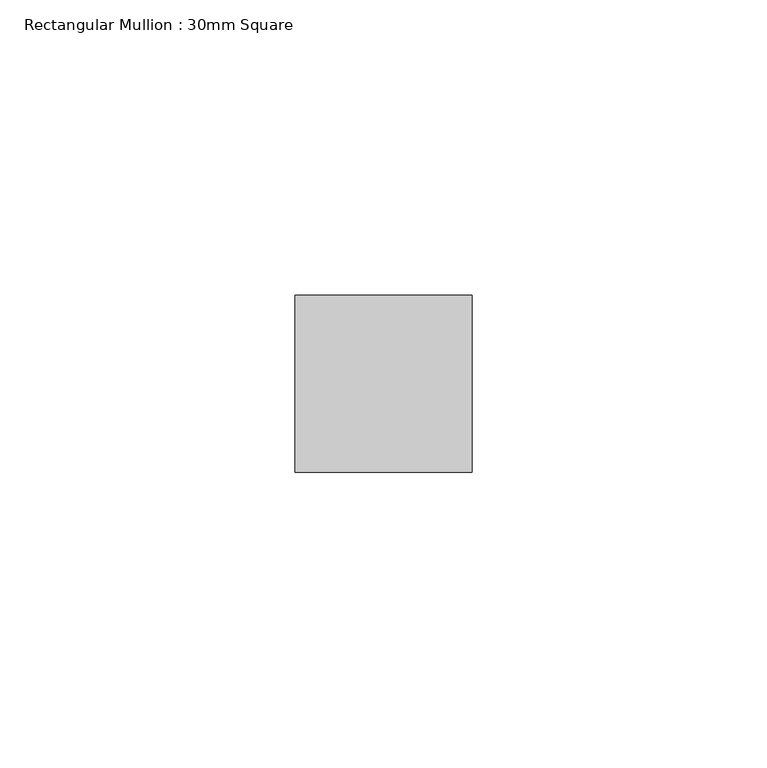
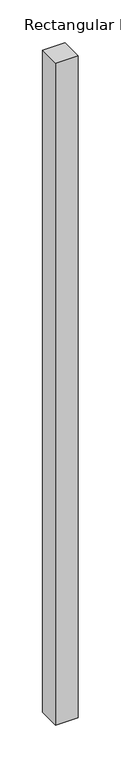
"""IFC4 building model written with IfcOpenShell, lengths in millimetres: member geometry, Rectangular Mullion : 30mm Square."""

import ifcopenshell
import ifcopenshell.guid

model = None  # the IFC model being written
_history = None  # IfcOwnerHistory: only IFC2X3 demands one
_inside = {}  # id of a spatial element -> (the spatial element, [elements in it])
_under = {}  # id of a project, library or spatial element -> (it, [spatial elements below it])
_declared = {}  # id of a project -> (the project, [libraries it declares])
_typed = {}  # id of a type object -> (the type object, [elements of that type])
_made_of = {}  # id of a material, layer set ... -> (it, [elements and type objects made of it])


def new_model(schema):
    """Start an empty IFC model of exactly this schema.

    Asked for "IFC4X3", IfcOpenShell would pick the latest addendum, in which some entities
    have other attributes; the version numbers below select the first issue.
    IFC2X3 requires an IfcOwnerHistory on every rooted entity: one is made here for all.
    """
    global model, _history
    if schema == "IFC4X3":
        model = ifcopenshell.file(schema_version=(4, 3, 0, 0))
    else:
        model = ifcopenshell.file(schema=schema)
    _inside.clear()
    _under.clear()
    _declared.clear()
    _typed.clear()
    _made_of.clear()
    _history = None
    if model.schema == "IFC2X3":
        org = make("IfcOrganization", Name="unknown")
        user = make(
            "IfcPersonAndOrganization",
            ThePerson=make("IfcPerson", FamilyName="unknown"),
            TheOrganization=org,
        )
        app = make(
            "IfcApplication",
            ApplicationDeveloper=org,
            Version="unknown",
            ApplicationFullName="unknown",
            ApplicationIdentifier="unknown",
        )
        _history = make(
            "IfcOwnerHistory",
            OwningUser=user,
            OwningApplication=app,
            ChangeAction="ADDED",
            CreationDate=0,
        )
    return model


def make(cls, **values):
    """One entity of the class cls with the attributes given. An attribute that is None is left unset."""
    return model.create_entity(
        cls, **{name: value for name, value in values.items() if value is not None}
    )


def rooted(cls, **values):
    """An entity with a GlobalId (a new one), such as an element, a storey or a relation."""
    return make(cls, GlobalId=ifcopenshell.guid.new(), OwnerHistory=_history, **values)


def si_unit(unit_type, name, prefix=None):
    """IfcSIUnit, for example si_unit("LENGTHUNIT", "METRE", prefix="MILLI")."""
    return make("IfcSIUnit", UnitType=unit_type, Prefix=prefix, Name=name)


def assignment(units):
    """IfcUnitAssignment: the units of a project."""
    return None if units is None else make("IfcUnitAssignment", Units=units)


def point(xyz):
    """IfcCartesianPoint."""
    return None if xyz is None else make("IfcCartesianPoint", Coordinates=xyz)


def direction(xyz):
    """IfcDirection."""
    return None if xyz is None else make("IfcDirection", DirectionRatios=xyz)


def frame(location, z_axis=None, x_axis=None):
    """IfcAxis2Placement3D, a coordinate frame: its origin and axes. An axis left out is left unset."""
    return make(
        "IfcAxis2Placement3D",
        Location=point(location),
        Axis=direction(z_axis),
        RefDirection=direction(x_axis),
    )


def origin():
    """The frame at (0, 0, 0) with its axes left unset."""
    return frame((0.0, 0.0, 0.0))


def place(relative_to, where):
    """IfcLocalPlacement: puts the frame where relative to a parent placement (None: the world)."""
    return make(
        "IfcLocalPlacement", PlacementRelTo=relative_to, RelativePlacement=where
    )


def context(
    kind, dimensions, precision=None, world=None, true_north=None, identifier=None
):
    """IfcGeometricRepresentationContext, for example the 3D "Model" context."""
    return make(
        "IfcGeometricRepresentationContext",
        ContextIdentifier=identifier,
        ContextType=kind,
        CoordinateSpaceDimension=dimensions,
        Precision=precision,
        WorldCoordinateSystem=world,
        TrueNorth=true_north,
    )


def project(units=None, contexts=None):
    """IfcProject with its units and contexts."""
    return rooted(
        "IfcProject",
        Name="project",
        RepresentationContexts=contexts,
        UnitsInContext=assignment(units),
    )


def spatial(cls, under=None, at=None, **own):
    """A site, building, storey or space (cls), placed at a placement, below another one or the project."""
    s = rooted(cls, ObjectPlacement=at, **own)
    if under is not None:
        _under.setdefault(under.id(), (under, []))[1].append(s)
    return s


def polyline(points):
    """IfcPolyline through the points."""
    return make("IfcPolyline", Points=[point(p) for p in points])


def outline(outer, holes=None, kind="AREA"):
    """IfcArbitraryClosedProfileDef: a profile drawn as a closed curve; with holes, ...WithVoids."""
    if holes is None:
        return make("IfcArbitraryClosedProfileDef", ProfileType=kind, OuterCurve=outer)
    return make(
        "IfcArbitraryProfileDefWithVoids",
        ProfileType=kind,
        OuterCurve=outer,
        InnerCurves=holes,
    )


def extrude(swept, where, along, depth):
    """IfcExtrudedAreaSolid: the profile swept, set in the frame where, extruded along a direction by depth."""
    return make(
        "IfcExtrudedAreaSolid",
        SweptArea=swept,
        Position=where,
        ExtrudedDirection=direction(along),
        Depth=depth,
    )


def shape(context_of_items, identifier, shape_type, items):
    """IfcShapeRepresentation: the items that make up one representation, for example the "Body"."""
    return make(
        "IfcShapeRepresentation",
        ContextOfItems=context_of_items,
        RepresentationIdentifier=identifier,
        RepresentationType=shape_type,
        Items=items,
    )


def source(mapping_origin, context_of_items, identifier, shape_type, items):
    """IfcRepresentationMap: a shape defined once, which mapped items show again and again."""
    return make(
        "IfcRepresentationMap",
        MappingOrigin=mapping_origin,
        MappedRepresentation=shape(context_of_items, identifier, shape_type, items),
    )


def transform(
    local_origin,
    x_axis=None,
    y_axis=None,
    z_axis=None,
    scale=None,
    scale2=None,
    scale3=None,
    uniform=True,
):
    """IfcCartesianTransformationOperator3D, or its non-uniform kind. x_axis, y_axis, z_axis: its Axis1, 2, 3."""
    if uniform:
        return make(
            "IfcCartesianTransformationOperator3D",
            Axis1=direction(x_axis),
            Axis2=direction(y_axis),
            LocalOrigin=point(local_origin),
            Scale=scale,
            Axis3=direction(z_axis),
        )
    return make(
        "IfcCartesianTransformationOperator3DnonUniform",
        Axis1=direction(x_axis),
        Axis2=direction(y_axis),
        LocalOrigin=point(local_origin),
        Scale=scale,
        Axis3=direction(z_axis),
        Scale2=scale2,
        Scale3=scale3,
    )


def mapped(mapping_source, mapping_target):
    """IfcMappedItem: shows the shape of a source again, moved by a transform."""
    return make(
        "IfcMappedItem", MappingSource=mapping_source, MappingTarget=mapping_target
    )


def made_of(thing, what):
    """Note that an element or type object is made of a material, layer set ...; save() writes the relation."""
    if what is not None:
        _made_of.setdefault(what.id(), (what, []))[1].append(thing)
    return thing


def element(
    cls,
    number,
    at=None,
    inside=None,
    cuts=None,
    type_object=None,
    material=None,
    context=None,
    identifier="Body",
    shape_type=None,
    held_by="IfcProductDefinitionShape",
    body=None,
    shapes=None,
    **own,
):
    """One element of the class cls, such as IfcWall. Its Tag is "e" and its number.

    at: its placement. inside: the storey or other place that contains it. cuts: it is an
    opening in that element (IfcRelVoidsElement). A single representation is given by context,
    identifier, shape_type and body (its items); several are given by shapes. held_by: the class
    of the entity that holds the representations. save() writes the other relations.
    """
    e = rooted(cls, Tag="e%d" % number, ObjectPlacement=at, **own)
    if body is not None:
        shapes = [shape(context, identifier, shape_type, body)]
    if shapes is not None:
        e.Representation = make(held_by, Representations=shapes)
    if inside is not None:
        _inside.setdefault(inside.id(), (inside, []))[1].append(e)
    if cuts is not None:
        rooted(
            "IfcRelVoidsElement", RelatingBuildingElement=cuts, RelatedOpeningElement=e
        )
    if type_object is not None:
        _typed.setdefault(type_object.id(), (type_object, []))[1].append(e)
    return made_of(e, material)


def aggregate(whole, parts):
    """IfcRelAggregates: a whole, such as a stair, and the parts it consists of."""
    return rooted("IfcRelAggregates", RelatingObject=whole, RelatedObjects=parts)


def save(model, path):
    """Write the relations noted so far, then the file.

    IfcRelAggregates (storeys below a building ...), IfcRelContainedInSpatialStructure (elements
    in a storey), IfcRelDefinesByType, IfcRelAssociatesMaterial and IfcRelDeclares: one each for
    every whole, place, type object, material and project.
    """
    for whole, parts in _under.values():
        aggregate(whole, parts)
    for where, things in _inside.values():
        rooted(
            "IfcRelContainedInSpatialStructure",
            RelatedElements=things,
            RelatingStructure=where,
        )
    for kind, things in _typed.values():
        rooted("IfcRelDefinesByType", RelatedObjects=things, RelatingType=kind)
    for what, things in _made_of.values():
        rooted("IfcRelAssociatesMaterial", RelatedObjects=things, RelatingMaterial=what)
    for by, libraries in _declared.values():
        rooted("IfcRelDeclares", RelatingContext=by, RelatedDefinitions=libraries)
    model.write(path)


def rectangular_mullion_30mm_square_06505b46(model_context):
    return source(origin(), model_context, "Body", "SweptSolid", [
        extrude(outline(polyline([(15.0, 15.0), (15.0, -15.0), (-15.0, -15.0), (-15.0, 15.0), (15.0, 15.0)])), frame((0.0, 0.0, -940.7678036), z_axis=(0.0, 0.0, 1.0), x_axis=(1.0, 0.0, 0.0)), (0.0, 0.0, 1.0), 940.7678036),
    ])


if __name__ == "__main__":
    model = new_model("IFC4")
    model_context = context("Model", 3, world=origin())
    ifc_project = project(units=[si_unit("LENGTHUNIT", "METRE", prefix="MILLI")], contexts=[model_context])
    site = spatial("IfcSite", under=ifc_project)
    building = spatial("IfcBuilding", under=site)
    placement = place(None, origin())
    rectangular_mullion_30mm_square_shape = rectangular_mullion_30mm_square_06505b46(model_context)
    element("IfcMember", 1, ObjectType="Rectangular Mullion : 30mm Square", at=placement, inside=building, context=model_context, shape_type="MappedRepresentation", body=[
        mapped(rectangular_mullion_30mm_square_shape, transform((0.0, 0.0, 0.0), x_axis=(1.0, 0.0, 0.0), y_axis=(0.0, 1.0, 0.0), z_axis=(0.0, 0.0, 1.0))),
    ])
    save(model, "model.ifc")
